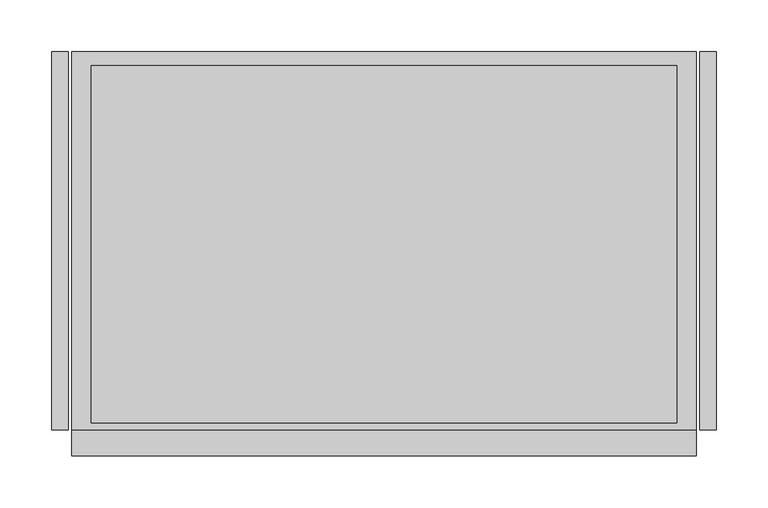
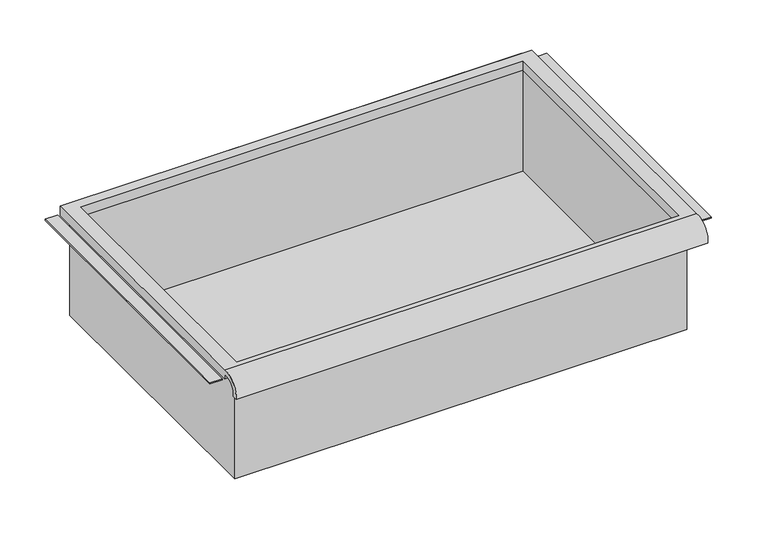
"""IFC4 building model written with IfcOpenShell, lengths in millimetres: furniture geometry."""

from ifc_helpers import new_model, si_unit, frame, origin, place, context, project, spatial, polyline, circle_curve, faceted_brep, source, transform, mapped, element, save
from ifc_brep_helpers import plane_surface, cylinder_surface, revolved_surface, advanced_brep


def furniture_eb5ecde8(model_context):
    return source(origin(), model_context, "Body", "SolidModel", [
        advanced_brep(
        [(305.0224999, -195.297482, 507.2035683), (305.0224999, -188.9125, 507.2035683), (305.0224999, -169.8625, 525.4650415), (305.0224999, -169.8625, 519.11504), (305.0224999, 195.2625, 519.11504), (305.0224999, 195.2625, 531.8150415), (305.0224999, -169.8625, 531.8150415), (-298.2275001, -195.297482, 507.2035683), (-298.2275001, -169.8625, 531.8150415), (-298.2275001, 195.2625, 531.8150415), (-298.2275001, 195.2625, 519.11504), (-298.2275001, -169.8625, 519.11504), (-298.2275001, -169.8625, 525.4650415), (-298.2275001, -188.9125, 507.2035683), (285.9725003, 181.9275, 519.11504), (-279.1775005, 181.9275, 519.11504), (-279.1775005, -163.5125, 519.11504), (285.9725003, -163.5125, 519.11504), (-279.1775005, 181.9275, 531.8150415), (285.9725003, 181.9275, 531.8150415), (285.9725003, -163.5125, 531.8150415), (-279.1775005, -163.5125, 531.8150415)],
        [
            (0, 1),
            (1, 2, circle_curve(frame((305.0224999, -172.3404634, 508.9829787), z_axis=(-1.0, 0.0, 0.0), x_axis=(0.0, 1.0, 0.0)), 16.6672942)),
            (2, 3),
            (3, 4),
            (4, 5),
            (5, 6),
            (6, 0, circle_curve(frame((305.0224999, -172.4601678, 509.0508687), z_axis=(1.0, 0.0, 0.0), x_axis=(0.0, 1.0, 0.0)), 22.9119061)),
            (7, 8, circle_curve(frame((-298.2275001, -172.4601678, 509.0508687), z_axis=(-1.0, 0.0, 0.0), x_axis=(0.0, 1.0, 0.0)), 22.9119061)),
            (8, 9),
            (9, 10),
            (10, 11),
            (11, 12),
            (12, 13, circle_curve(frame((-298.2275001, -172.3404634, 508.9829787), z_axis=(1.0, 0.0, 0.0), x_axis=(0.0, 1.0, 0.0)), 16.6672942)),
            (13, 7),
            (0, 7),
            (13, 1),
            (12, 2),
            (11, 3),
            (10, 4),
            (14, 15),
            (15, 16),
            (16, 17),
            (17, 14),
            (9, 5),
            (8, 6),
            (18, 19),
            (19, 20),
            (20, 21),
            (21, 18),
            (14, 19),
            (18, 15),
            (21, 16),
            (20, 17),
        ],
        [
            plane_surface(frame((305.0224999, -195.297482, 507.2035683), z_axis=(1.0, 0.0, 0.0), x_axis=(0.0, 1.0, 0.0))),
            plane_surface(frame((-298.2275001, -195.297482, 507.2035683), z_axis=(-1.0, 0.0, 0.0), x_axis=(0.0, -1.0, 0.0))),
            plane_surface(frame((305.0224999, -195.297482, 507.2035683), z_axis=(0.0, 0.0, -1.0), x_axis=(-1.0, 0.0, 0.0))),
            revolved_surface(polyline([(-298.2275001, -155.67316920000002, 508.9829787), (305.0224999, -155.67316920000002, 508.9829787)]), (-298.2275001, -172.3404634, 508.9829787), (-1.0, 0.0, 0.0)),
            plane_surface(frame((305.0224999, -169.8625, 525.4650415), z_axis=(0.0, -1.0, 0.0), x_axis=(-1.0, 0.0, 0.0))),
            plane_surface(frame((305.0224999, -169.8625, 519.11504), z_axis=(0.0, 0.0, -1.0), x_axis=(-1.0, 0.0, 0.0))),
            plane_surface(frame((305.0224999, 195.2625, 519.11504), z_axis=(0.0, 1.0, 0.0), x_axis=(-1.0, 0.0, 0.0))),
            plane_surface(frame((305.0224999, 195.2625, 531.8150415), z_axis=(0.0, 0.0, 1.0), x_axis=(-1.0, 0.0, 0.0))),
            cylinder_surface(frame((-298.2275001, -172.4601678, 509.0508687), z_axis=(1.0, 0.0, 0.0), x_axis=(0.0, 1.0, 0.0)), 22.9119061),
            plane_surface(frame((285.9725003, 181.9275, 531.8150415), z_axis=(0.0, -1.0, 0.0), x_axis=(0.0, 0.0, -1.0))),
            plane_surface(frame((-279.1775005, 181.9275, 531.8150415), z_axis=(1.0, 0.0, 0.0), x_axis=(0.0, 0.0, -1.0))),
            plane_surface(frame((-279.1775005, -163.5125, 531.8150415), z_axis=(0.0, 1.0, 0.0), x_axis=(0.0, 0.0, -1.0))),
            plane_surface(frame((285.9725003, -163.5125, 531.8150415), z_axis=(-1.0, 0.0, 0.0), x_axis=(0.0, 0.0, -1.0))),
        ],
        [
            (0, [[1, 2, 3, 4, 5, 6, 7]]),
            (1, [[8, 9, 10, 11, 12, 13, 14]]),
            (2, [[-1, 15, -14, 16]]),
            (3, [[-2, -16, -13, 17]]),
            (4, [[-3, -17, -12, 18]]),
            (5, [[-4, -18, -11, 19], [20, 21, 22, 23]]),
            (6, [[-5, -19, -10, 24]]),
            (7, [[-6, -24, -9, 25], [26, 27, 28, 29]]),
            (8, [[-7, -25, -8, -15]]),
            (9, [[30, -26, 31, -20]]),
            (10, [[-31, -29, 32, -21]]),
            (11, [[-32, -28, 33, -22]]),
            (12, [[-30, -23, -33, -27]]),
        ],
    ),
        faceted_brep([(-285.5275005, -169.8625, 379.4150415), (292.3225003, -169.8625, 379.4150415), (292.3225003, -169.8625, 531.8150415), (-285.5275005, -169.8625, 531.8150415), (-285.5275005, 195.2625, 379.4150415), (-285.5275005, 195.2625, 531.8150415), (292.3225003, 195.2625, 531.8150415), (292.3225003, 195.2625, 379.4150415), (-279.1775005, 181.9275, 531.8150415), (285.9725003, 181.9275, 531.8150415), (285.9725003, -163.5125, 531.8150415), (-279.1775005, -163.5125, 531.8150415), (285.9725003, 181.9275, 382.4412134), (-279.1775005, 181.9275, 382.4412134), (-279.1775005, -163.5125, 382.4412134), (285.9725003, -163.5125, 382.4412134)], [[[0, 1, 2, 3]], [[4, 5, 6, 7]], [[1, 0, 4, 7]], [[2, 1, 7, 6]], [[3, 2, 6, 5], [8, 9, 10, 11]], [[0, 3, 5, 4]], [[12, 13, 14, 15]], [[13, 12, 9, 8]], [[14, 13, 8, 11]], [[15, 14, 11, 10]], [[12, 15, 10, 9]]]),
        faceted_brep([(-317.2774997, 195.2625, 519.11504), (-317.2774997, 195.2625, 520.70254), (-301.4025001, 195.2625, 520.70254), (-301.4025001, 195.2625, 519.11504), (-317.2774997, -169.8625, 519.11504), (-301.4025001, -169.8625, 519.11504), (-301.4025001, -169.8625, 520.70254), (-317.2774997, -169.8625, 520.70254)], [[[0, 1, 2, 3]], [[4, 5, 6, 7]], [[1, 0, 4, 7]], [[2, 1, 7, 6]], [[3, 2, 6, 5]], [[0, 3, 5, 4]]]),
        faceted_brep([(324.0725245, 195.2625, 519.11504), (308.1974999, 195.2625, 519.11504), (308.1974999, 195.2625, 520.70254), (324.0725245, 195.2625, 520.70254), (324.0725245, -169.8625, 519.11504), (324.0725245, -169.8625, 520.70254), (308.1974999, -169.8625, 520.70254), (308.1974999, -169.8625, 519.11504)], [[[0, 1, 2, 3]], [[4, 5, 6, 7]], [[1, 0, 4, 7]], [[2, 1, 7, 6]], [[3, 2, 6, 5]], [[0, 3, 5, 4]]]),
    ])


if __name__ == "__main__":
    model = new_model("IFC4")
    model_context = context("Model", 3, world=origin())
    ifc_project = project(units=[si_unit("LENGTHUNIT", "METRE", prefix="MILLI")], contexts=[model_context])
    site = spatial("IfcSite", under=ifc_project)
    building = spatial("IfcBuilding", under=site)
    placement = place(None, origin())
    furniture_shape = furniture_eb5ecde8(model_context)
    element("IfcFurniture", 1, at=placement, inside=building, context=model_context, shape_type="MappedRepresentation", body=[
        mapped(furniture_shape, transform((0.0, 0.0, 0.0), x_axis=(1.0, 0.0, 0.0), y_axis=(0.0, 1.0, 0.0), z_axis=(0.0, 0.0, 1.0))),
    ])
    save(model, "model.ifc")
